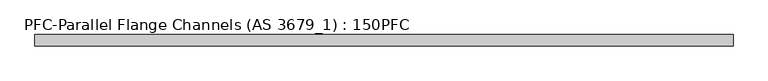
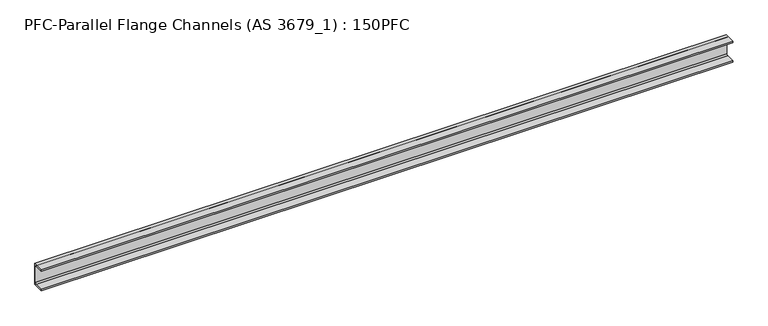
"""IFC4 building model written with IfcOpenShell, lengths in millimetres: beam geometry, PFC-Parallel Flange Channels (AS 3679_1) : 150PFC."""

from ifc_helpers import new_model, si_unit, point, frame, frame_2d, origin, place, context, project, spatial, polyline, circle_curve, trimmed, segment, composite_curve, outline, extrude, source, transform, mapped, element, save


def pfc_parallel_flange_channels_as_3679_1_150pfc_8bef7f78(model_context):
    return source(origin(), model_context, "Body", "SweptSolid", [
        extrude(outline(composite_curve([segment(polyline([(24.9, 75.0), (24.9, -75.0), (-50.1, -75.0), (-50.1, -65.5), (8.9, -65.5)]), True, "CONTINUOUS"), segment(trimmed(circle_curve(frame_2d((8.9, -55.5)), 10.0), [point((8.9, -65.5))], [point((18.9, -55.5))], True, "CARTESIAN"), True, "CONTINUOUS"), segment(polyline([(18.9, -55.5), (18.9, 55.5)]), True, "CONTINUOUS"), segment(trimmed(circle_curve(frame_2d((8.9, 55.5)), 10.0), [point((18.9, 55.5))], [point((8.9, 65.5))], True, "CARTESIAN"), True, "CONTINUOUS"), segment(polyline([(8.9, 65.5), (-50.1, 65.5), (-50.1, 75.0), (24.9, 75.0)]), True, "CONTINUOUS")], self_intersect=False)), frame((-2340.0, 0.0, 0.0), z_axis=(1.0, 0.0, 0.0), x_axis=(0.0, 1.0, 0.0)), (0.0, 0.0, 1.0), 4680.0),
    ])


if __name__ == "__main__":
    model = new_model("IFC4")
    model_context = context("Model", 3, world=origin())
    ifc_project = project(units=[si_unit("LENGTHUNIT", "METRE", prefix="MILLI")], contexts=[model_context])
    site = spatial("IfcSite", under=ifc_project)
    building = spatial("IfcBuilding", under=site)
    placement = place(None, origin())
    pfc_parallel_flange_channels_as_3679_1_150pfc_shape = pfc_parallel_flange_channels_as_3679_1_150pfc_8bef7f78(model_context)
    element("IfcBeam", 1, ObjectType="PFC-Parallel Flange Channels (AS 3679_1) : 150PFC", at=placement, inside=building, context=model_context, shape_type="MappedRepresentation", body=[
        mapped(pfc_parallel_flange_channels_as_3679_1_150pfc_shape, transform((0.0, 0.0, 0.0), x_axis=(1.0, 0.0, 0.0), y_axis=(0.0, 1.0, 0.0), z_axis=(0.0, 0.0, 1.0))),
    ])
    save(model, "model.ifc")
